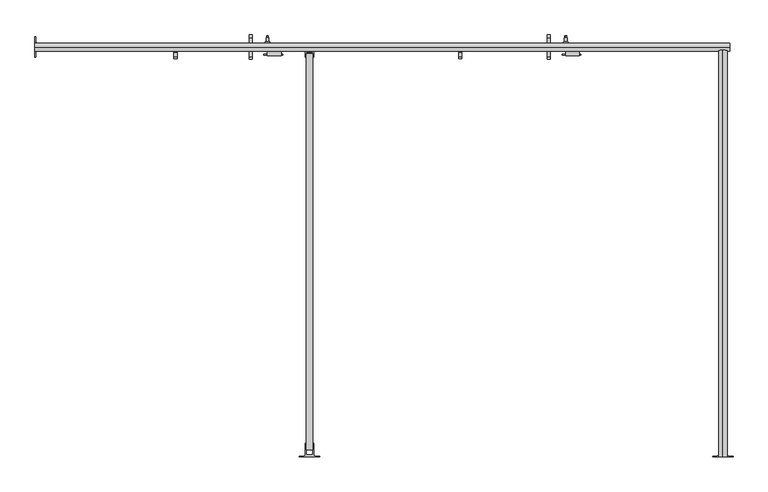
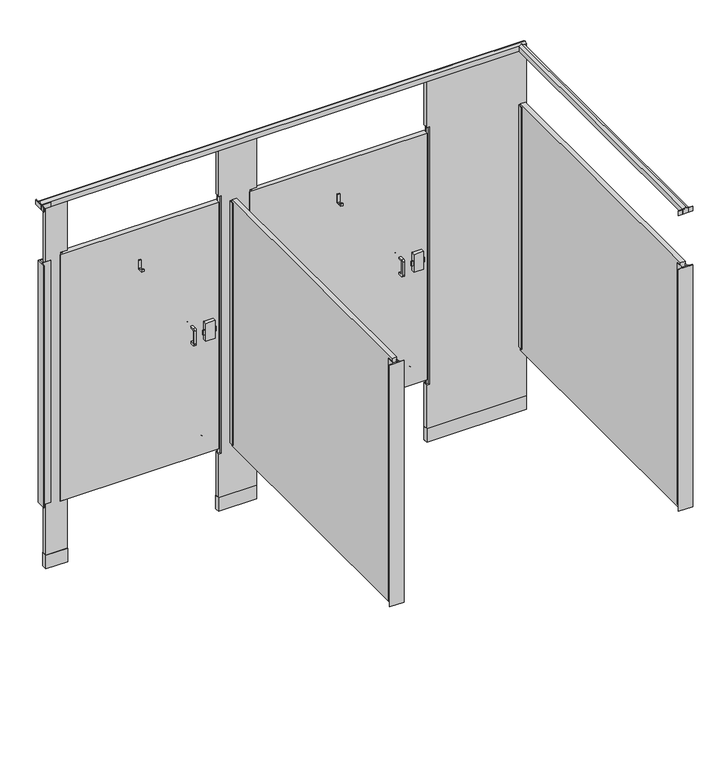
"""IFC4 building model written with IfcOpenShell, lengths in millimetres: proxy geometry."""

from ifc_helpers import new_model, si_unit, point, frame, frame_2d, origin, origin_with_axes, place, context, project, spatial, polyline, circle_curve, ellipse_curve, trimmed, segment, composite_curve, outline, extrude, source, transform, mapped, element, save
from ifc_brep_helpers import plane_surface, cylinder_surface, revolved_surface, advanced_brep


def specialty_equipment_b83a187a(model_context):
    return source(origin(), model_context, "Body", "SolidModel", [
        extrude(outline(composite_curve([segment(trimmed(circle_curve(frame_2d((307.0354547, 1533.525)), 4.1602747), [point((311.1957294, 1533.525))], [point((302.87518, 1533.525))], False, "CARTESIAN"), True, "CONTINUOUS"), segment(trimmed(circle_curve(frame_2d((307.0354547, 1533.525)), 4.1602747), [point((302.87518, 1533.525))], [point((311.1957294, 1533.525))], False, "CARTESIAN"), True, "CONTINUOUS")], self_intersect=False)), frame((0.0, 0.0, 1752.6), z_axis=(0.0, 0.0, 1.0), x_axis=(1.0, 0.0, 0.0)), (0.0, 0.0, 1.0), 12.7),
        extrude(outline(polyline([(1118.6932592, 1506.2050203), (1118.6932592, 1503.2324847), (1048.6733709, 1503.2324847), (1048.6733709, 1506.2050203), (1118.6932592, 1506.2050203)])), frame((0.0, 0.0, 1041.4), z_axis=(0.0, 0.0, 1.0), x_axis=(1.0, 0.0, 0.0)), (0.0, 0.0, 1.0), 25.4),
        extrude(outline(composite_curve([segment(polyline([(1497.9641724, 1102.36), (1520.8241724, 1102.36), (1520.8241724, 1092.2), (1497.9641724, 1092.2)]), True, "CONTINUOUS"), segment(trimmed(circle_curve(frame_2d((1497.9641724, 1089.66)), 2.54), [point((1497.9641724, 1092.2))], [point((1495.4241724, 1089.66))], True, "CARTESIAN"), True, "CONTINUOUS"), segment(polyline([(1495.4241724, 1089.66), (1495.4241724, 1018.54)]), True, "CONTINUOUS"), segment(trimmed(circle_curve(frame_2d((1497.9641724, 1018.54)), 2.54), [point((1495.4241724, 1018.54))], [point((1497.9641724, 1016.0))], True, "CARTESIAN"), True, "CONTINUOUS"), segment(polyline([(1497.9641724, 1016.0), (1520.8241724, 1016.0), (1520.8241724, 1005.84), (1497.9641724, 1005.84)]), True, "CONTINUOUS"), segment(trimmed(circle_curve(frame_2d((1497.9641724, 1016.0)), 10.16), [point((1497.9641724, 1005.84))], [point((1487.8041724, 1016.0))], False, "CARTESIAN"), True, "CONTINUOUS"), segment(polyline([(1487.8041724, 1016.0), (1487.8041724, 1092.2)]), True, "CONTINUOUS"), segment(trimmed(circle_curve(frame_2d((1497.9641724, 1092.2)), 10.16), [point((1487.8041724, 1092.2))], [point((1497.9641724, 1102.36))], False, "CARTESIAN"), True, "CONTINUOUS")], self_intersect=False)), frame((992.8120131, 0.0, 0.0), z_axis=(1.0, 0.0, 0.0), x_axis=(0.0, 1.0, 0.0)), (0.0, 0.0, 1.0), 11.4113578),
        extrude(outline(composite_curve([segment(trimmed(circle_curve(frame_2d((1569.085, 1092.2)), 10.16), [point((1569.085, 1102.36))], [point((1579.245, 1092.2))], False, "CARTESIAN"), True, "CONTINUOUS"), segment(polyline([(1579.245, 1092.2), (1579.245, 1016.0)]), True, "CONTINUOUS"), segment(trimmed(circle_curve(frame_2d((1569.085, 1016.0)), 10.16), [point((1579.245, 1016.0))], [point((1569.085, 1005.84))], False, "CARTESIAN"), True, "CONTINUOUS"), segment(polyline([(1569.085, 1005.84), (1546.225, 1005.84), (1546.225, 1016.0), (1569.085, 1016.0)]), True, "CONTINUOUS"), segment(trimmed(circle_curve(frame_2d((1569.085, 1018.54)), 2.54), [point((1569.085, 1016.0))], [point((1571.625, 1018.54))], True, "CARTESIAN"), True, "CONTINUOUS"), segment(polyline([(1571.625, 1018.54), (1571.625, 1089.66)]), True, "CONTINUOUS"), segment(trimmed(circle_curve(frame_2d((1569.085, 1089.66)), 2.54), [point((1571.625, 1089.66))], [point((1569.085, 1092.2))], True, "CARTESIAN"), True, "CONTINUOUS"), segment(polyline([(1569.085, 1092.2), (1546.225, 1092.2), (1546.225, 1102.36), (1569.085, 1102.36)]), True, "CONTINUOUS")], self_intersect=False)), frame((992.8120131, 0.0, 0.0), z_axis=(1.0, 0.0, 0.0), x_axis=(0.0, 1.0, 0.0)), (0.0, 0.0, 1.0), 11.4113578),
        extrude(outline(polyline([(1520.8241724, 1525.7003365), (1489.0741724, 1525.7003365), (1489.0741724, 1538.4003365), (1495.4241724, 1538.4003365), (1495.4241724, 1532.0503365), (1514.4741724, 1532.0503365), (1514.4741724, 1576.5003365), (1520.8241724, 1576.5003365), (1520.8241724, 1525.7003365)])), frame((711.2002547, 0.0, 0.0), z_axis=(1.0, 0.0, 0.0), x_axis=(0.0, 1.0, 0.0)), (0.0, 0.0, 1.0), 12.7),
        extrude(outline(composite_curve([segment(trimmed(circle_curve(frame_2d((431.8, 1062.0250547)), 3.4532283), [point((428.3467717, 1062.0250547))], [point((435.2532283, 1062.0250547))], False, "CARTESIAN"), True, "CONTINUOUS"), segment(trimmed(circle_curve(frame_2d((431.8, 1062.0250547)), 3.4532283), [point((435.2532283, 1062.0250547))], [point((428.3467717, 1062.0250547))], False, "CARTESIAN"), True, "CONTINUOUS")], self_intersect=False)), frame((0.0, 1569.085, 0.0), z_axis=(0.0, 1.0, 0.0), x_axis=(0.0, 0.0, 1.0)), (0.0, 0.0, 1.0), 7.62),
        advanced_brep(
        [(1062.0250547, 1546.225, 431.8), (1081.0750547, 1546.225, 431.8), (1042.9750547, 1546.225, 431.8), (1067.1050547, 1569.085, 431.8), (1062.0250547, 1569.085, 431.8), (1056.9450547, 1569.085, 431.8), (1067.1050547, 1553.845, 431.8), (1056.9450547, 1553.845, 431.8), (1072.1850547, 1548.765, 431.8), (1051.8650547, 1548.765, 431.8), (1081.0750547, 1548.765, 431.8), (1042.9750547, 1548.765, 431.8)],
        [
            (0, 1),
            (1, 2, circle_curve(frame((1062.0250547, 1546.225, 431.8), z_axis=(0.0, -1.0, 0.0), x_axis=(-1.0, 0.0, 0.0)), 19.05)),
            (2, 0),
            (2, 1, circle_curve(frame((1062.0250547, 1546.225, 431.8), z_axis=(0.0, -1.0, 0.0), x_axis=(-1.0, 0.0, 0.0)), 19.05)),
            (3, 4),
            (4, 5),
            (5, 3, circle_curve(frame((1062.0250547, 1569.085, 431.8), z_axis=(0.0, 1.0, 0.0), x_axis=(-1.0, 0.0, 0.0)), 5.08)),
            (3, 5, circle_curve(frame((1062.0250547, 1569.085, 431.8), z_axis=(0.0, 1.0, 0.0), x_axis=(-1.0, 0.0, 0.0)), 5.08)),
            (6, 3),
            (5, 7),
            (7, 6, circle_curve(frame((1062.0250547, 1553.845, 431.8), z_axis=(0.0, 1.0, 0.0), x_axis=(-1.0, 0.0, 0.0)), 5.08)),
            (6, 7, circle_curve(frame((1062.0250547, 1553.845, 431.8), z_axis=(0.0, 1.0, 0.0), x_axis=(-1.0, 0.0, 0.0)), 5.08)),
            (8, 6, circle_curve(frame((1067.1050547, 1548.765, 431.8), z_axis=(0.0, 0.0, 1.0), x_axis=(0.0, 1.0, 0.0)), 5.08)),
            (7, 9, circle_curve(frame((1056.9450547, 1548.765, 431.8), z_axis=(0.0, 0.0, 1.0), x_axis=(0.0, 1.0, 0.0)), 5.08)),
            (9, 8, circle_curve(frame((1062.0250547, 1548.765, 431.8), z_axis=(0.0, 1.0, 0.0), x_axis=(-1.0, 0.0, 0.0)), 10.16)),
            (8, 9, circle_curve(frame((1062.0250547, 1548.765, 431.8), z_axis=(0.0, 1.0, 0.0), x_axis=(-1.0, 0.0, 0.0)), 10.16)),
            (10, 8),
            (9, 11),
            (11, 10, circle_curve(frame((1062.0250547, 1548.765, 431.8), z_axis=(0.0, 1.0, 0.0), x_axis=(-1.0, 0.0, 0.0)), 19.05)),
            (10, 11, circle_curve(frame((1062.0250547, 1548.765, 431.8), z_axis=(0.0, 1.0, 0.0), x_axis=(-1.0, 0.0, 0.0)), 19.05)),
            (1, 10),
            (11, 2),
        ],
        [
            plane_surface(frame((1062.0250547, 1546.225, 431.8), z_axis=(0.0, -1.0, 0.0), x_axis=(-1.0, 0.0, 0.0))),
            plane_surface(frame((1062.0250547, 1569.085, 431.8), z_axis=(0.0, 1.0, 0.0), x_axis=(-1.0, 0.0, 0.0))),
            cylinder_surface(frame((1062.0250547, 1590.2047247, 431.8), z_axis=(0.0, -1.0, 0.0), x_axis=(-1.0, 0.0, 0.0)), 5.08),
            revolved_surface(trimmed(ellipse_curve(frame((1056.9450547, 1548.765, 431.8), z_axis=(0.0, 0.0, 1.0), x_axis=(0.0, 1.0, 0.0)), 5.08, 5.08), [point((1056.9450547, 1553.845, 431.8))], [point((1051.8650547, 1548.765, 431.8))], True, "CARTESIAN"), (1062.0250547, 1590.2047247, 431.8), (0.0, -1.0, 0.0)),
            plane_surface(frame((1062.0250547, 1548.765, 431.8), z_axis=(0.0, 1.0, 0.0), x_axis=(-1.0, 0.0, 0.0))),
            cylinder_surface(frame((1062.0250547, 1590.2047247, 431.8), z_axis=(0.0, -1.0, 0.0), x_axis=(-1.0, 0.0, 0.0)), 19.05),
        ],
        [
            (0, [[1, 2, 3]]),
            (0, [[-3, 4, -1]]),
            (1, [[5, 6, 7]]),
            (1, [[-6, -5, 8]]),
            (2, [[9, -7, 10, 11]]),
            (2, [[-10, -8, -9, 12]]),
            (3, [[13, -11, 14, 15]]),
            (3, [[-14, -12, -13, 16]]),
            (4, [[17, -15, 18, 19]]),
            (4, [[-18, -16, -17, 20]]),
            (5, [[21, -19, 22, -2]]),
            (5, [[-22, -20, -21, -4]]),
        ],
    ),
        extrude(outline(polyline([(1112.8250547, 1520.8241724), (1112.8250547, 1500.7465532), (1061.3733709, 1500.7465532), (1061.3733709, 1520.8241724), (1112.8250547, 1520.8241724)])), frame((0.0, 0.0, 1003.3), z_axis=(0.0, 0.0, 1.0), x_axis=(1.0, 0.0, 0.0)), (0.0, 0.0, 1.0), 101.6),
        extrude(outline(composite_curve([segment(trimmed(circle_curve(frame_2d((1323.0354547, 1533.525)), 4.1602747), [point((1327.1957294, 1533.525))], [point((1318.87518, 1533.525))], False, "CARTESIAN"), True, "CONTINUOUS"), segment(trimmed(circle_curve(frame_2d((1323.0354547, 1533.525)), 4.1602747), [point((1318.87518, 1533.525))], [point((1327.1957294, 1533.525))], False, "CARTESIAN"), True, "CONTINUOUS")], self_intersect=False)), frame((0.0, 0.0, 1752.6), z_axis=(0.0, 0.0, 1.0), x_axis=(1.0, 0.0, 0.0)), (0.0, 0.0, 1.0), 12.7),
        extrude(outline(polyline([(2236.2932592, 1506.2050203), (2236.2932592, 1503.2324847), (2166.2733709, 1503.2324847), (2166.2733709, 1506.2050203), (2236.2932592, 1506.2050203)])), frame((0.0, 0.0, 1041.4), z_axis=(0.0, 0.0, 1.0), x_axis=(1.0, 0.0, 0.0)), (0.0, 0.0, 1.0), 25.4),
        extrude(outline(composite_curve([segment(polyline([(1497.9641724, 1102.36), (1520.8241724, 1102.36), (1520.8241724, 1092.2), (1497.9641724, 1092.2)]), True, "CONTINUOUS"), segment(trimmed(circle_curve(frame_2d((1497.9641724, 1089.66)), 2.54), [point((1497.9641724, 1092.2))], [point((1495.4241724, 1089.66))], True, "CARTESIAN"), True, "CONTINUOUS"), segment(polyline([(1495.4241724, 1089.66), (1495.4241724, 1018.54)]), True, "CONTINUOUS"), segment(trimmed(circle_curve(frame_2d((1497.9641724, 1018.54)), 2.54), [point((1495.4241724, 1018.54))], [point((1497.9641724, 1016.0))], True, "CARTESIAN"), True, "CONTINUOUS"), segment(polyline([(1497.9641724, 1016.0), (1520.8241724, 1016.0), (1520.8241724, 1005.84), (1497.9641724, 1005.84)]), True, "CONTINUOUS"), segment(trimmed(circle_curve(frame_2d((1497.9641724, 1016.0)), 10.16), [point((1497.9641724, 1005.84))], [point((1487.8041724, 1016.0))], False, "CARTESIAN"), True, "CONTINUOUS"), segment(polyline([(1487.8041724, 1016.0), (1487.8041724, 1092.2)]), True, "CONTINUOUS"), segment(trimmed(circle_curve(frame_2d((1497.9641724, 1092.2)), 10.16), [point((1487.8041724, 1092.2))], [point((1497.9641724, 1102.36))], False, "CARTESIAN"), True, "CONTINUOUS")], self_intersect=False)), frame((2110.4120131, 0.0, 0.0), z_axis=(1.0, 0.0, 0.0), x_axis=(0.0, 1.0, 0.0)), (0.0, 0.0, 1.0), 11.4113578),
        extrude(outline(composite_curve([segment(trimmed(circle_curve(frame_2d((1569.085, 1092.2)), 10.16), [point((1569.085, 1102.36))], [point((1579.245, 1092.2))], False, "CARTESIAN"), True, "CONTINUOUS"), segment(polyline([(1579.245, 1092.2), (1579.245, 1016.0)]), True, "CONTINUOUS"), segment(trimmed(circle_curve(frame_2d((1569.085, 1016.0)), 10.16), [point((1579.245, 1016.0))], [point((1569.085, 1005.84))], False, "CARTESIAN"), True, "CONTINUOUS"), segment(polyline([(1569.085, 1005.84), (1546.225, 1005.84), (1546.225, 1016.0), (1569.085, 1016.0)]), True, "CONTINUOUS"), segment(trimmed(circle_curve(frame_2d((1569.085, 1018.54)), 2.54), [point((1569.085, 1016.0))], [point((1571.625, 1018.54))], True, "CARTESIAN"), True, "CONTINUOUS"), segment(polyline([(1571.625, 1018.54), (1571.625, 1089.66)]), True, "CONTINUOUS"), segment(trimmed(circle_curve(frame_2d((1569.085, 1089.66)), 2.54), [point((1571.625, 1089.66))], [point((1569.085, 1092.2))], True, "CARTESIAN"), True, "CONTINUOUS"), segment(polyline([(1569.085, 1092.2), (1546.225, 1092.2), (1546.225, 1102.36), (1569.085, 1102.36)]), True, "CONTINUOUS")], self_intersect=False)), frame((2110.4120131, 0.0, 0.0), z_axis=(1.0, 0.0, 0.0), x_axis=(0.0, 1.0, 0.0)), (0.0, 0.0, 1.0), 11.4113578),
        extrude(outline(polyline([(1520.8241724, 1525.7003365), (1489.0741724, 1525.7003365), (1489.0741724, 1538.4003365), (1495.4241724, 1538.4003365), (1495.4241724, 1532.0503365), (1514.4741724, 1532.0503365), (1514.4741724, 1576.5003365), (1520.8241724, 1576.5003365), (1520.8241724, 1525.7003365)])), frame((1778.0002547, 0.0, 0.0), z_axis=(1.0, 0.0, 0.0), x_axis=(0.0, 1.0, 0.0)), (0.0, 0.0, 1.0), 12.7),
        extrude(outline(composite_curve([segment(trimmed(circle_curve(frame_2d((431.8, 2179.6250547)), 3.4532283), [point((428.3467717, 2179.6250547))], [point((435.2532283, 2179.6250547))], False, "CARTESIAN"), True, "CONTINUOUS"), segment(trimmed(circle_curve(frame_2d((431.8, 2179.6250547)), 3.4532283), [point((435.2532283, 2179.6250547))], [point((428.3467717, 2179.6250547))], False, "CARTESIAN"), True, "CONTINUOUS")], self_intersect=False)), frame((0.0, 1569.085, 0.0), z_axis=(0.0, 1.0, 0.0), x_axis=(0.0, 0.0, 1.0)), (0.0, 0.0, 1.0), 7.62),
        advanced_brep(
        [(2179.6250547, 1546.225, 431.8), (2198.6750547, 1546.225, 431.8), (2160.5750547, 1546.225, 431.8), (2184.7050547, 1569.085, 431.8), (2179.6250547, 1569.085, 431.8), (2174.5450547, 1569.085, 431.8), (2184.7050547, 1553.845, 431.8), (2174.5450547, 1553.845, 431.8), (2189.7850547, 1548.765, 431.8), (2169.4650547, 1548.765, 431.8), (2198.6750547, 1548.765, 431.8), (2160.5750547, 1548.765, 431.8)],
        [
            (0, 1),
            (1, 2, circle_curve(frame((2179.6250547, 1546.225, 431.8), z_axis=(0.0, -1.0, 0.0), x_axis=(-1.0, 0.0, 0.0)), 19.05)),
            (2, 0),
            (2, 1, circle_curve(frame((2179.6250547, 1546.225, 431.8), z_axis=(0.0, -1.0, 0.0), x_axis=(-1.0, 0.0, 0.0)), 19.05)),
            (3, 4),
            (4, 5),
            (5, 3, circle_curve(frame((2179.6250547, 1569.085, 431.8), z_axis=(0.0, 1.0, 0.0), x_axis=(-1.0, 0.0, 0.0)), 5.08)),
            (3, 5, circle_curve(frame((2179.6250547, 1569.085, 431.8), z_axis=(0.0, 1.0, 0.0), x_axis=(-1.0, 0.0, 0.0)), 5.08)),
            (6, 3),
            (5, 7),
            (7, 6, circle_curve(frame((2179.6250547, 1553.845, 431.8), z_axis=(0.0, 1.0, 0.0), x_axis=(-1.0, 0.0, 0.0)), 5.08)),
            (6, 7, circle_curve(frame((2179.6250547, 1553.845, 431.8), z_axis=(0.0, 1.0, 0.0), x_axis=(-1.0, 0.0, 0.0)), 5.08)),
            (8, 6, circle_curve(frame((2184.7050547, 1548.765, 431.8), z_axis=(0.0, 0.0, 1.0), x_axis=(0.0, 1.0, 0.0)), 5.08)),
            (7, 9, circle_curve(frame((2174.5450547, 1548.765, 431.8), z_axis=(0.0, 0.0, 1.0), x_axis=(0.0, 1.0, 0.0)), 5.08)),
            (9, 8, circle_curve(frame((2179.6250547, 1548.765, 431.8), z_axis=(0.0, 1.0, 0.0), x_axis=(-1.0, 0.0, 0.0)), 10.16)),
            (8, 9, circle_curve(frame((2179.6250547, 1548.765, 431.8), z_axis=(0.0, 1.0, 0.0), x_axis=(-1.0, 0.0, 0.0)), 10.16)),
            (10, 8),
            (9, 11),
            (11, 10, circle_curve(frame((2179.6250547, 1548.765, 431.8), z_axis=(0.0, 1.0, 0.0), x_axis=(-1.0, 0.0, 0.0)), 19.05)),
            (10, 11, circle_curve(frame((2179.6250547, 1548.765, 431.8), z_axis=(0.0, 1.0, 0.0), x_axis=(-1.0, 0.0, 0.0)), 19.05)),
            (1, 10),
            (11, 2),
        ],
        [
            plane_surface(frame((2179.6250547, 1546.225, 431.8), z_axis=(0.0, -1.0, 0.0), x_axis=(-1.0, 0.0, 0.0))),
            plane_surface(frame((2179.6250547, 1569.085, 431.8), z_axis=(0.0, 1.0, 0.0), x_axis=(-1.0, 0.0, 0.0))),
            cylinder_surface(frame((2179.6250547, 1590.2047247, 431.8), z_axis=(0.0, -1.0, 0.0), x_axis=(-1.0, 0.0, 0.0)), 5.08),
            revolved_surface(trimmed(ellipse_curve(frame((2174.5450547, 1548.765, 431.8), z_axis=(0.0, 0.0, 1.0), x_axis=(0.0, 1.0, 0.0)), 5.08, 5.08), [point((2174.5450547, 1553.845, 431.8))], [point((2169.4650547, 1548.765, 431.8))], True, "CARTESIAN"), (2179.6250547, 1590.2047247, 431.8), (0.0, -1.0, 0.0)),
            plane_surface(frame((2179.6250547, 1548.765, 431.8), z_axis=(0.0, 1.0, 0.0), x_axis=(-1.0, 0.0, 0.0))),
            cylinder_surface(frame((2179.6250547, 1590.2047247, 431.8), z_axis=(0.0, -1.0, 0.0), x_axis=(-1.0, 0.0, 0.0)), 19.05),
        ],
        [
            (0, [[1, 2, 3]]),
            (0, [[-3, 4, -1]]),
            (1, [[5, 6, 7]]),
            (1, [[-6, -5, 8]]),
            (2, [[9, -7, 10, 11]]),
            (2, [[-10, -8, -9, 12]]),
            (3, [[13, -11, 14, 15]]),
            (3, [[-14, -12, -13, 16]]),
            (4, [[17, -15, 18, 19]]),
            (4, [[-18, -16, -17, 20]]),
            (5, [[21, -19, 22, -2]]),
            (5, [[-22, -20, -21, -4]]),
        ],
    ),
        extrude(outline(polyline([(2230.4250547, 1520.8241724), (2230.4250547, 1500.7465532), (2178.9733709, 1500.7465532), (2178.9733709, 1520.8241724), (2230.4250547, 1520.8241724)])), frame((0.0, 0.0, 1003.3), z_axis=(0.0, 0.0, 1.0), x_axis=(1.0, 0.0, 0.0)), (0.0, 0.0, 1.0), 101.6),
        extrude(outline(composite_curve([segment(polyline([(2044.7, 2783.9672547), (2073.275, 2783.9672547)]), True, "CONTINUOUS"), segment(trimmed(circle_curve(frame_2d((2087.2314185, 2781.9824645)), 14.0968439), [point((2073.275, 2783.9672547))], [point((2082.8, 2768.6002547))], True, "CARTESIAN"), True, "CONTINUOUS"), segment(trimmed(circle_curve(frame_2d((2087.2314185, 2755.2180449)), 14.0968439), [point((2082.8, 2768.6002547))], [point((2073.275, 2753.2332547))], True, "CARTESIAN"), True, "CONTINUOUS"), segment(polyline([(2073.275, 2753.2332547), (2044.7, 2753.2332547), (2044.7, 2783.9672547)]), True, "CONTINUOUS")], self_intersect=False)), frame((0.0, -3.175, 0.0), z_axis=(0.0, 1.0, 0.0), x_axis=(0.0, 0.0, 1.0)), (0.0, 0.0, 1.0), 1524.0),
        extrude(outline(composite_curve([segment(polyline([(2806.7002547, -3.175), (2730.5002547, -3.175), (2730.5002547, -0.635), (2747.0102547, -0.635)]), True, "CONTINUOUS"), segment(trimmed(circle_curve(frame_2d((2747.0102547, 5.715)), 6.35), [point((2747.0102547, -0.635))], [point((2753.3602547, 5.715))], True, "CARTESIAN"), True, "CONTINUOUS"), segment(polyline([(2753.3602547, 5.715), (2753.3602547, 47.625), (2755.9002547, 47.625), (2755.9002547, 3.7728188), (2781.3002547, 3.7728188), (2781.3002547, 47.625), (2783.8402547, 47.625), (2783.8402547, 5.715)]), True, "CONTINUOUS"), segment(trimmed(circle_curve(frame_2d((2790.1902547, 5.715)), 6.35), [point((2783.8402547, 5.715))], [point((2790.1902547, -0.635))], True, "CARTESIAN"), True, "CONTINUOUS"), segment(polyline([(2790.1902547, -0.635), (2806.7002547, -0.635), (2806.7002547, -3.175)]), True, "CONTINUOUS")], self_intersect=False)), frame((0.0, 0.0, 2044.7), z_axis=(0.0, 0.0, 1.0), x_axis=(1.0, 0.0, 0.0)), (0.0, 0.0, 1.0), 25.4),
        extrude(outline(composite_curve([segment(polyline([(190.5002547, 1495.425), (190.5002547, 1571.625), (193.0402547, 1571.625), (193.0402547, 1555.115)]), True, "CONTINUOUS"), segment(trimmed(circle_curve(frame_2d((199.3902547, 1555.115)), 6.35), [point((193.0402547, 1555.115))], [point((199.3902547, 1548.765))], True, "CARTESIAN"), True, "CONTINUOUS"), segment(polyline([(199.3902547, 1548.765), (241.3002547, 1548.765), (241.3002547, 1546.225), (197.4480735, 1546.225), (197.4480735, 1520.825), (241.3002547, 1520.825), (241.3002547, 1518.285), (199.3902547, 1518.285)]), True, "CONTINUOUS"), segment(trimmed(circle_curve(frame_2d((199.3902547, 1511.935)), 6.35), [point((199.3902547, 1518.285))], [point((193.0402547, 1511.935))], True, "CARTESIAN"), True, "CONTINUOUS"), segment(polyline([(193.0402547, 1511.935), (193.0402547, 1495.425), (190.5002547, 1495.425)]), True, "CONTINUOUS")], self_intersect=False)), frame((0.0, 0.0, 2044.7), z_axis=(0.0, 0.0, 1.0), x_axis=(1.0, 0.0, 0.0)), (0.0, 0.0, 1.0), 25.4),
        extrude(outline(polyline([(2753.3602547, 1520.825), (2783.8402547, 1520.825), (2783.8402547, 1495.425), (2781.3002547, 1495.425), (2781.3002547, 1513.8771812), (2755.9002547, 1513.8771812), (2755.9002547, 1495.425), (2753.3602547, 1495.425), (2753.3602547, 1520.825)])), frame((0.0, 0.0, 368.3), z_axis=(0.0, 0.0, 1.0), x_axis=(1.0, 0.0, 0.0)), (0.0, 0.0, 1.0), 1371.6),
        extrude(outline(composite_curve([segment(polyline([(2806.7002547, -3.175), (2730.5002547, -3.175), (2730.5002547, -0.635), (2747.0102547, -0.635)]), True, "CONTINUOUS"), segment(trimmed(circle_curve(frame_2d((2747.0102547, 5.715)), 6.35), [point((2747.0102547, -0.635))], [point((2753.3602547, 5.715))], True, "CARTESIAN"), True, "CONTINUOUS"), segment(polyline([(2753.3602547, 5.715), (2753.3602547, 47.625), (2755.9002547, 47.625), (2755.9002547, 3.7728188), (2781.3002547, 3.7728188), (2781.3002547, 47.625), (2783.8402547, 47.625), (2783.8402547, 5.715)]), True, "CONTINUOUS"), segment(trimmed(circle_curve(frame_2d((2790.1902547, 5.715)), 6.35), [point((2783.8402547, 5.715))], [point((2790.1902547, -0.635))], True, "CARTESIAN"), True, "CONTINUOUS"), segment(polyline([(2790.1902547, -0.635), (2806.7002547, -0.635), (2806.7002547, -3.175)]), True, "CONTINUOUS")], self_intersect=False)), frame((0.0, 0.0, 368.3), z_axis=(0.0, 0.0, 1.0), x_axis=(1.0, 0.0, 0.0)), (0.0, 0.0, 1.0), 1371.6),
        extrude(outline(composite_curve([segment(polyline([(190.5002547, 1495.425), (190.5002547, 1548.765), (241.3002547, 1548.765), (241.3002547, 1546.225), (197.4480735, 1546.225), (197.4480735, 1520.825), (241.3002547, 1520.825), (241.3002547, 1518.285), (199.3902547, 1518.285)]), True, "CONTINUOUS"), segment(trimmed(circle_curve(frame_2d((199.3902547, 1511.935)), 6.35), [point((199.3902547, 1518.285))], [point((193.0402547, 1511.935))], True, "CARTESIAN"), True, "CONTINUOUS"), segment(polyline([(193.0402547, 1511.935), (193.0402547, 1495.425), (190.5002547, 1495.425)]), True, "CONTINUOUS")], self_intersect=False)), frame((0.0, 0.0, 368.3), z_axis=(0.0, 0.0, 1.0), x_axis=(1.0, 0.0, 0.0)), (0.0, 0.0, 1.0), 1371.6),
        extrude(outline(polyline([(1203.9602547, 1520.825), (1234.4402547, 1520.825), (1234.4402547, 1495.425), (1231.9002547, 1495.425), (1231.9002547, 1513.8771812), (1206.5002547, 1513.8771812), (1206.5002547, 1495.425), (1203.9602547, 1495.425), (1203.9602547, 1520.825)])), frame((0.0, 0.0, 368.3), z_axis=(0.0, 0.0, 1.0), x_axis=(1.0, 0.0, 0.0)), (0.0, 0.0, 1.0), 1371.6),
        extrude(outline(composite_curve([segment(polyline([(1257.3002547, -3.175), (1181.1002547, -3.175), (1181.1002547, -0.635), (1197.6102547, -0.635)]), True, "CONTINUOUS"), segment(trimmed(circle_curve(frame_2d((1197.6102547, 5.715)), 6.35), [point((1197.6102547, -0.635))], [point((1203.9602547, 5.715))], True, "CARTESIAN"), True, "CONTINUOUS"), segment(polyline([(1203.9602547, 5.715), (1203.9602547, 47.625), (1206.5002547, 47.625), (1206.5002547, 3.7728188), (1231.9002547, 3.7728188), (1231.9002547, 47.625), (1234.4402547, 47.625), (1234.4402547, 5.715)]), True, "CONTINUOUS"), segment(trimmed(circle_curve(frame_2d((1240.7902547, 5.715)), 6.35), [point((1234.4402547, 5.715))], [point((1240.7902547, -0.635))], True, "CARTESIAN"), True, "CONTINUOUS"), segment(polyline([(1240.7902547, -0.635), (1257.3002547, -0.635), (1257.3002547, -3.175)]), True, "CONTINUOUS")], self_intersect=False)), frame((0.0, 0.0, 368.3), z_axis=(0.0, 0.0, 1.0), x_axis=(1.0, 0.0, 0.0)), (0.0, 0.0, 1.0), 1371.6),
        extrude(outline(polyline([(214.9858547, 1519.9106), (214.9858547, 1547.1394), (331.1146547, 1547.1394), (331.1146547, 1519.9106), (214.9858547, 1519.9106)])), origin_with_axes(), (0.0, 0.0, 1.0), 76.2),
        extrude(outline(polyline([(1142.0858547, 1519.9106), (1142.0858547, 1547.1394), (1347.1146547, 1547.1394), (1347.1146547, 1519.9106), (1142.0858547, 1519.9106)])), origin_with_axes(), (0.0, 0.0, 1.0), 76.2),
        extrude(outline(polyline([(2259.6858547, 1519.9106), (2259.6858547, 1547.1394), (2794.9146547, 1547.1394), (2794.9146547, 1519.9106), (2259.6858547, 1519.9106)])), origin_with_axes(), (0.0, 0.0, 1.0), 76.2),
        extrude(outline(polyline([(2260.6002547, 1530.35), (2260.6002547, 1536.7), (2273.3002547, 1536.7), (2273.3002547, 1530.35), (2260.6002547, 1530.35)])), frame((0.0, 0.0, 323.85), z_axis=(0.0, 0.0, 1.0), x_axis=(1.0, 0.0, 0.0)), (0.0, 0.0, 1.0), 1460.5),
        extrude(outline(polyline([(1143.0002547, 1530.35), (1143.0002547, 1536.7), (1155.7002547, 1536.7), (1155.7002547, 1530.35), (1143.0002547, 1530.35)])), frame((0.0, 0.0, 323.85), z_axis=(0.0, 0.0, 1.0), x_axis=(1.0, 0.0, 0.0)), (0.0, 0.0, 1.0), 1460.5),
        extrude(outline(polyline([(2260.6002547, 1546.225), (2260.6002547, 1520.825), (1308.1002547, 1520.825), (1308.1002547, 1546.225), (2260.6002547, 1546.225)])), frame((0.0, 0.0, 355.6), z_axis=(0.0, 0.0, 1.0), x_axis=(1.0, 0.0, 0.0)), (0.0, 0.0, 1.0), 1397.0),
        extrude(outline(polyline([(1143.0002547, 1546.225), (1143.0002547, 1520.825), (292.1002547, 1520.825), (292.1002547, 1546.225), (1143.0002547, 1546.225)])), frame((0.0, 0.0, 355.6), z_axis=(0.0, 0.0, 1.0), x_axis=(1.0, 0.0, 0.0)), (0.0, 0.0, 1.0), 1397.0),
        extrude(outline(polyline([(2063.75, 2794.0002547), (2063.75, 2260.6002547), (1784.35, 2260.6002547), (1784.35, 2273.3002547), (323.85, 2273.3002547), (323.85, 2260.6002547), (0.0, 2260.6002547), (0.0, 2794.0002547), (2063.75, 2794.0002547)])), frame((0.0, 1520.825, 0.0), z_axis=(0.0, 1.0, 0.0), x_axis=(0.0, 0.0, 1.0)), (0.0, 0.0, 1.0), 25.4),
        extrude(outline(polyline([(0.0, 1346.2002547), (355.6, 1346.2002547), (355.6, 1308.1002547), (1765.3, 1308.1002547), (1765.3, 1346.2002547), (2063.75, 1346.2002547), (2063.75, 1143.0002547), (1784.35, 1143.0002547), (1784.35, 1155.7002547), (323.85, 1155.7002547), (323.85, 1143.0002547), (0.0, 1143.0002547), (0.0, 1346.2002547)])), frame((0.0, 1520.825, 0.0), z_axis=(0.0, 1.0, 0.0), x_axis=(0.0, 0.0, 1.0)), (0.0, 0.0, 1.0), 25.4),
        extrude(outline(polyline([(2063.75, 330.2002547), (2063.75, 215.9002547), (0.0, 215.9002547), (0.0, 330.2002547), (355.6, 330.2002547), (355.6, 292.1002547), (1765.3, 292.1002547), (1765.3, 330.2002547), (2063.75, 330.2002547)])), frame((0.0, 1520.825, 0.0), z_axis=(0.0, 1.0, 0.0), x_axis=(0.0, 0.0, 1.0)), (0.0, 0.0, 1.0), 25.4),
        extrude(outline(polyline([(2755.9002547, 1508.125), (2781.3002547, 1508.125), (2781.3002547, 22.225), (2755.9002547, 22.225), (2755.9002547, 1508.125)])), frame((0.0, 0.0, 355.6), z_axis=(0.0, 0.0, 1.0), x_axis=(1.0, 0.0, 0.0)), (0.0, 0.0, 1.0), 1397.0),
        extrude(outline(polyline([(1206.5002547, 1508.125), (1231.9002547, 1508.125), (1231.9002547, 22.225), (1206.5002547, 22.225), (1206.5002547, 1508.125)])), frame((0.0, 0.0, 355.6), z_axis=(0.0, 0.0, 1.0), x_axis=(1.0, 0.0, 0.0)), (0.0, 0.0, 1.0), 1397.0),
        extrude(outline(composite_curve([segment(polyline([(1548.511, 2044.7), (1518.539, 2044.7), (1518.539, 2073.275)]), True, "CONTINUOUS"), segment(trimmed(circle_curve(frame_2d((1516.9910036, 2092.262001)), 19.05), [point((1518.539, 2073.275))], [point((1533.525, 2082.8))], True, "CARTESIAN"), True, "CONTINUOUS"), segment(trimmed(circle_curve(frame_2d((1550.0589964, 2092.262001)), 19.05), [point((1533.525, 2082.8))], [point((1548.511, 2073.275))], True, "CARTESIAN"), True, "CONTINUOUS"), segment(polyline([(1548.511, 2073.275), (1548.511, 2044.7)]), True, "CONTINUOUS")], self_intersect=False)), frame((190.5002547, 0.0, 0.0), z_axis=(1.0, 0.0, 0.0), x_axis=(0.0, 1.0, 0.0)), (0.0, 0.0, 1.0), 2603.5),
    ])


if __name__ == "__main__":
    model = new_model("IFC4")
    model_context = context("Model", 3, world=origin())
    ifc_project = project(units=[si_unit("LENGTHUNIT", "METRE", prefix="MILLI")], contexts=[model_context])
    site = spatial("IfcSite", under=ifc_project)
    building = spatial("IfcBuilding", under=site)
    placement = place(None, origin())
    specialty_equipment_shape = specialty_equipment_b83a187a(model_context)
    element("IfcBuildingElementProxy", 1, Name="Specialty Equipment", at=placement, inside=building, context=model_context, shape_type="MappedRepresentation", body=[
        mapped(specialty_equipment_shape, transform((0.0, 0.0, 0.0), x_axis=(1.0, 0.0, 0.0), y_axis=(0.0, 1.0, 0.0), z_axis=(0.0, 0.0, 1.0))),
    ])
    save(model, "model.ifc")
